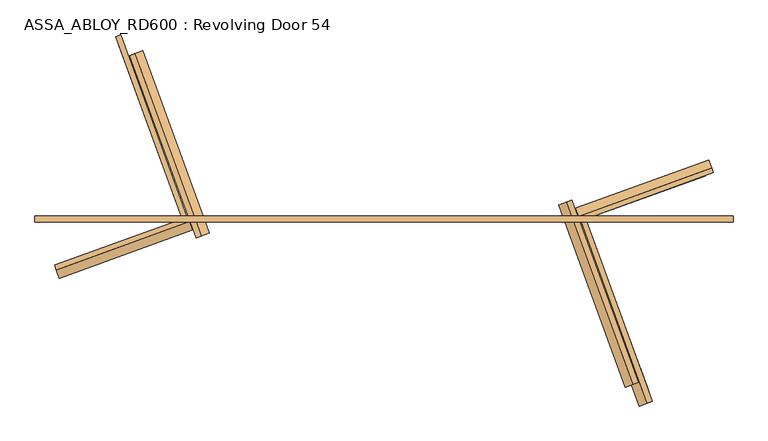
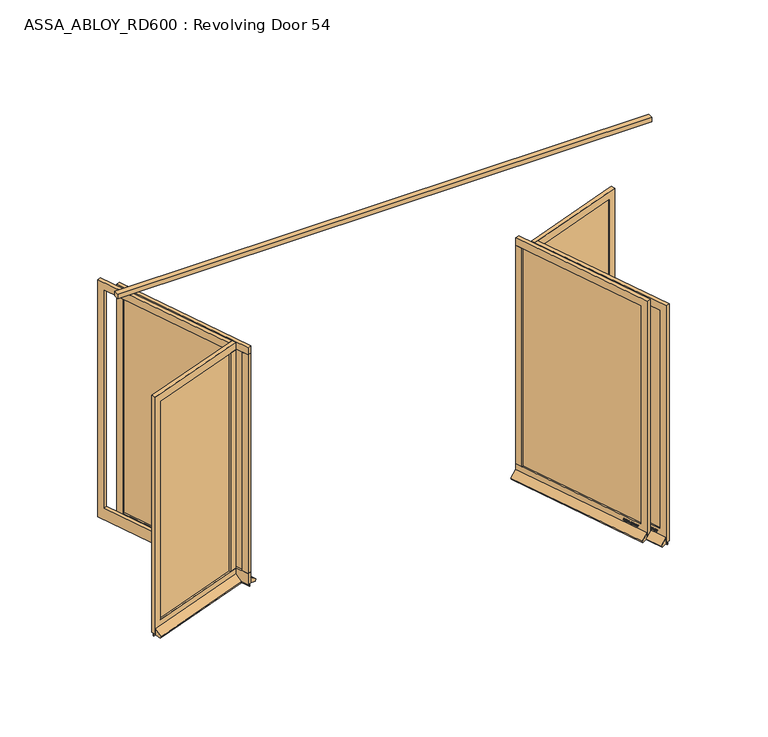
"""IFC4 building model written with IfcOpenShell, lengths in millimetres: door geometry, ASSA_ABLOY_RD600 : Revolving Door 54."""

from ifc_helpers import new_model, si_unit, frame, origin, place, context, project, spatial, polyline, outline, extrude, source, transform, mapped, element, save


def assa_abloy_rd600_revolving_door_54_afb6078f(model_context):
    return source(origin(), model_context, "Body", "SweptSolid", [
        extrude(outline(polyline([(2741.0, -25.0), (-2741.0, -25.0), (-2741.0, 25.0), (2741.0, 25.0), (2741.0, -25.0)])), frame((0.0, 0.0, 3500.0), z_axis=(0.0, 0.0, 1.0), x_axis=(1.0, 0.0, 0.0)), (0.0, 0.0, 1.0), 50.0),
        extrude(outline(polyline([(0.0, 0.0), (1456.0, 0.0), (1456.0, -120.0), (-70.0, -120.0), (-70.0, 2452.0), (1456.0, 2452.0), (1456.0, 2372.0), (0.0, 2372.0), (0.0, 0.0)])), frame((1934.7103714, -1233.4444406, 148.0), z_axis=(0.9396926207858558, 0.34202014332581326, 0.0), x_axis=(-0.34202014332581326, 0.9396926207858558, 0.0)), (0.0, 0.0, 1.0), 40.0),
        extrude(outline(polyline([(1498.2581576, 82.6503375), (1460.6704527, 68.9695318), (1436.7290427, 134.7480153), (1474.3167475, 148.428821), (1498.2581576, 82.6503375)])), frame((0.0, 0.0, 148.0), z_axis=(0.0, 0.0, 1.0), x_axis=(1.0, 0.0, 0.0)), (0.0, 0.0, 1.0), 2372.0),
        extrude(outline(polyline([(1950.6851459, -1227.6300982), (1476.6452273, 74.7838742), (1482.283383, 76.8359951), (1956.3233017, -1225.5779773), (1950.6851459, -1227.6300982)])), frame((0.0, 0.0, 148.0), z_axis=(0.0, 0.0, 1.0), x_axis=(1.0, 0.0, 0.0)), (0.0, 0.0, 1.0), 2372.0),
        extrude(outline(polyline([(1974.626556, -1293.4085816), (1452.7038173, 140.5623577), (1458.341973, 142.6144786), (1980.2647117, -1291.3564608), (1974.626556, -1293.4085816)])), frame((0.0, 0.0, -1.0), z_axis=(0.0, 0.0, 1.0), x_axis=(1.0, 0.0, 0.0)), (0.0, 0.0, 1.0), 29.0),
        extrude(outline(polyline([(21.1919362, 0.0), (20.214336, -2.6529929), (14.2348715, -2.5853723), (11.2716326, -10.6269535), (15.8652682, -14.4554101), (14.8894584, -17.1035442), (-1.2354289, -3.3526834), (0.0, 0.0), (21.1919362, 0.0)]), holes=[polyline([(11.7626281, -2.5849675), (1.6611384, -2.5160753), (9.3848751, -9.0376682), (11.7626281, -2.5849675)])]), frame((1958.1959557, -1181.0183772, 122.8848654), z_axis=(0.9396926207858602, 0.34202014332580105, 0.0), x_axis=(-0.11825756092416981, 0.3249099783187935, -0.9383222555567716)), (0.0, 0.0, 1.0), 2.0),
        extrude(outline(polyline([(3.5121291, -1e-07), (5.4926863, -1.2764388), (6.787432, -3.3659463), (7.2092232, -6.1919012), (6.5093631, -9.6341389), (4.824798, -13.2083907), (2.5145629, -16.157079), (-0.6567352, -15.0446471), (2.4447822, -12.1320668), (4.3562345, -8.7636201), (4.8029446, -4.7524081), (2.9863484, -2.6252693), (0.9295188, -2.6144293), (-0.6628891, -4.2207409), (-1.8238571, -6.2006452), (-3.0893834, -8.4786223), (-6.2388815, -11.6844271), (-9.9996043, -11.7673438), (-13.1300796, -8.3561655), (-12.7977466, -2.5981571), (-11.0920113, 1.0208017), (-9.0699595, 3.711135), (-6.0403681, 2.6484111), (-8.71119, 0.0484616), (-10.6514742, -3.4882218), (-11.0208469, -7.16163), (-9.3614355, -9.1814982), (-7.3063201, -9.1972245), (-5.5118808, -7.3434952), (-4.250422, -5.1162245), (-2.8187321, -2.6852579), (0.0, 0.0), (3.5121291, -1e-07)])), frame((1950.0798893, -1158.7196681, 111.999973), z_axis=(0.9396926207858602, 0.34202014332580105, 0.0), x_axis=(-0.11321109633798945, 0.31104493082019163, -0.9436282629706535)), (0.0, 0.0, 1.0), 2.0),
        extrude(outline(polyline([(3.5121291, 0.0), (5.4926863, -1.2764388), (6.787432, -3.3659464), (7.2092232, -6.1919012), (6.5093631, -9.6341389), (4.824798, -13.2083907), (2.5145628, -16.1570791), (-0.6567353, -15.0446472), (2.4447822, -12.1320669), (4.3562345, -8.7636201), (4.8029446, -4.7524082), (2.9863484, -2.6252693), (0.9295188, -2.6144294), (-0.6628891, -4.2207409), (-1.8238571, -6.2006453), (-3.0893834, -8.4786224), (-6.2388815, -11.6844271), (-9.9996044, -11.7673439), (-13.1300797, -8.3561656), (-12.7977466, -2.5981572), (-11.0920114, 1.0208016), (-9.0699596, 3.7111349), (-6.0403681, 2.648411), (-8.71119, 0.0484616), (-10.6514742, -3.4882218), (-11.0208469, -7.1616301), (-9.3614355, -9.1814983), (-7.3063201, -9.1972246), (-5.5118808, -7.3434953), (-4.250422, -5.1162245), (-2.8187321, -2.6852579), (0.0, 0.0), (3.5121291, 0.0)])), frame((1943.618916, -1140.9682898, 111.999973), z_axis=(0.9396926207858602, 0.34202014332580105, 0.0), x_axis=(-0.11321109633798945, 0.31104493082019163, -0.9436282629706535)), (0.0, 0.0, 1.0), 2.0),
        extrude(outline(polyline([(21.1919362, 0.0), (20.2143359, -2.652993), (14.2348715, -2.5853724), (11.2716326, -10.6269536), (15.8652681, -14.4554102), (14.8894584, -17.1035442), (-1.2354289, -3.3526834), (0.0, 0.0), (21.1919362, 0.0)]), holes=[polyline([(11.7626281, -2.5849675), (1.6611384, -2.5160753), (9.3848751, -9.0376682), (11.7626281, -2.5849675)])]), frame((1938.8130358, -1127.7642424, 122.8848654), z_axis=(0.9396926207858602, 0.34202014332580105, 0.0), x_axis=(-0.11825756092416981, 0.3249099783187935, -0.9383222555567716)), (0.0, 0.0, 1.0), 2.0),
        extrude(outline(polyline([(21.1919362, 0.0), (20.214336, -2.6529929), (14.2348715, -2.5853724), (11.2716326, -10.6269535), (15.8652682, -14.4554102), (14.8894584, -17.1035441), (-1.2354289, -3.3526834), (0.0, 0.0), (21.1919362, 0.0)]), holes=[polyline([(11.7626281, -2.5849674), (1.6611384, -2.5160753), (9.3848751, -9.0376682), (11.7626281, -2.5849674)])]), frame((1929.0649006, -1100.9814612, 122.8848654), z_axis=(0.9396926207858602, 0.34202014332580105, 0.0), x_axis=(-0.11825756092416981, 0.3249099783187935, -0.9383222555567716)), (0.0, 0.0, 1.0), 2.0),
        extrude(outline(polyline([(3.6247797, -1e-07), (5.9232413, -1.3859292), (7.2049821, -3.4426963), (7.5842828, -6.2202288), (6.8194358, -9.6251298), (4.5055294, -16.4081519), (-14.3144162, -9.9880648), (-12.3716711, -4.2930708), (-11.1479956, -1.1951534), (-9.8352433, 0.5920774), (-7.9241126, 1.6554025), (-5.7320771, 1.441087), (-3.7068839, -0.0321767), (-2.8147562, -2.4211002), (0.0, 0.0), (3.6247797, -1e-07)]), holes=[polyline([(-5.2214253, -2.9241787), (-9.3653605, -2.9303687), (-10.1960736, -5.1008933), (-11.2627443, -8.2277488), (-5.9304264, -10.0467735), (-4.7734732, -6.6552625), (-5.2214253, -2.9241787)]), polyline([(2.8765907, -2.5461079), (0.9746905, -2.291247), (-0.5832315, -3.1932876), (-1.5099769, -4.5787397), (-2.347091, -6.7279308), (-3.734766, -10.7957836), (3.1658807, -13.1498156), (4.3362091, -9.7190964), (5.1175974, -6.8751817), (5.1102534, -4.8838351), (4.3679308, -3.4351117), (2.8765907, -2.5461079)])]), frame((1920.7247901, -1078.0671958, 112.561824), z_axis=(0.9396926207858604, 0.3420201433258011, 0.0), x_axis=(-0.11042564634822187, 0.30339196987028844, -0.9464457138403678)), (0.0, 0.0, 1.0), 2.0),
        extrude(outline(polyline([(2.319901, 0.0), (2.319901, -12.5937482), (-17.5649644, -12.5937482), (-17.5649644, -9.9424328), (0.0, -9.9424328), (0.0, 0.0), (2.319901, 0.0)])), frame((1914.7703514, -1061.70751, 105.319901), z_axis=(0.9396926207858602, 0.34202014332580105, 0.0), x_axis=(0.0, 0.0, -1.0)), (0.0, 0.0, 1.0), 2.0),
        extrude(outline(polyline([(3.4755123, 0.0), (6.8343334, -1.6217536), (9.841779, -4.8358203), (11.7934802, -8.7947164), (12.1283676, -12.475947), (10.9175762, -15.7640054), (8.2007386, -18.4707048), (4.7147757, -20.0502835), (1.2097864, -20.048671), (-2.1257687, -18.4422906), (-5.1361656, -15.2239687), (-7.0812776, -11.3109182), (-7.4345587, -7.5668217), (-6.1998493, -4.2905332), (-3.5095377, -1.5864764), (0.0, 0.0), (3.4755123, 0.0)]), holes=[polyline([(7.6631689, -6.3468237), (2.8864763, -2.494471), (-2.1788995, -3.4868579), (-4.8960978, -7.8921765), (-2.9575554, -13.7129653), (1.8513938, -17.5618518), (6.8871209, -16.5585187), (9.5892894, -12.1951337), (7.6631689, -6.3468237)])]), frame((1909.7926745, -1048.031455, 122.5197917), z_axis=(0.9396926207858602, 0.34202014332580105, 0.0), x_axis=(-0.2810410816456148, 0.7721540257600913, -0.569907072188043)), (0.0, 0.0, 1.0), 2.0),
        extrude(outline(polyline([(3.1691505, 0.0), (-4.1219669, -11.1645234), (-4.1219669, -19.8848654), (-6.7732823, -19.8848654), (-6.7732823, -11.4441543), (-14.0643996, 0.0), (-10.921141, 0.0), (-5.4320896, -8.8964059), (0.0, 0.0), (3.1691505, 0.0)])), frame((1902.5922669, -1028.2484977, 122.8848654), z_axis=(0.9396926207858602, 0.34202014332580105, 0.0), x_axis=(-0.34202014332580105, 0.9396926207858602, 0.0)), (0.0, 0.0, 1.0), 2.0),
        extrude(outline(polyline([(-21.1919362, 0.0), (0.0, 0.0), (1.2354289, -3.3526834), (-14.8894584, -17.1035442), (-15.8652681, -14.4554102), (-11.2716326, -10.6269536), (-14.2348715, -2.5853724), (-20.2143359, -2.652993), (-21.1919362, 0.0)]), holes=[polyline([(-11.7626281, -2.5849675), (-9.3848751, -9.0376682), (-1.6611384, -2.5160752), (-11.7626281, -2.5849675)])]), frame((1865.9961301, -1050.5012232, 122.8848654), z_axis=(0.939692620785858, 0.3420201433258071, 0.0), x_axis=(-0.11825756092417189, 0.3249099783187927, 0.9383222555567716)), (0.0, 0.0, 1.0), 2.0),
        extrude(outline(polyline([(-3.5121291, 0.0), (0.0, 0.0), (2.8187321, -2.6852579), (4.250422, -5.1162245), (5.5118808, -7.3434953), (7.3063201, -9.1972245), (9.3614355, -9.1814982), (11.0208469, -7.16163), (10.6514742, -3.4882218), (8.71119, 0.0484616), (6.0403681, 2.648411), (9.0699596, 3.7111349), (11.0920114, 1.0208016), (12.7977466, -2.5981572), (13.1300797, -8.3561656), (9.9996044, -11.7673439), (6.2388815, -11.6844271), (3.0893834, -8.4786224), (1.8238571, -6.2006453), (0.6628891, -4.2207409), (-0.9295188, -2.6144294), (-2.9863484, -2.6252693), (-4.8029446, -4.7524081), (-4.3562345, -8.76362), (-2.4447823, -12.1320668), (0.6567353, -15.0446472), (-2.5145629, -16.1570791), (-4.824798, -13.2083906), (-6.5093631, -9.6341389), (-7.2092232, -6.1919012), (-6.787432, -3.3659464), (-5.4926863, -1.2764387), (-3.5121291, 0.0)])), frame((1874.1121965, -1072.7999323, 111.999973), z_axis=(0.939692620785858, 0.3420201433258071, 0.0), x_axis=(-0.11321109633799145, 0.31104493082019086, 0.9436282629706535)), (0.0, 0.0, 1.0), 2.0),
        extrude(outline(polyline([(-3.5121291, 0.0), (0.0, 0.0), (2.8187321, -2.6852579), (4.250422, -5.1162245), (5.5118808, -7.3434952), (7.3063201, -9.1972245), (9.3614355, -9.1814982), (11.0208469, -7.16163), (10.6514742, -3.4882217), (8.71119, 0.0484617), (6.0403681, 2.6484111), (9.0699595, 3.711135), (11.0920113, 1.0208017), (12.7977466, -2.5981571), (13.1300796, -8.3561655), (9.9996043, -11.7673438), (6.2388815, -11.6844271), (3.0893834, -8.4786223), (1.8238571, -6.2006452), (0.6628891, -4.2207407), (-0.9295188, -2.6144293), (-2.9863484, -2.6252692), (-4.8029446, -4.7524081), (-4.3562345, -8.76362), (-2.4447823, -12.1320668), (0.6567352, -15.0446471), (-2.5145629, -16.157079), (-4.8247981, -13.2083905), (-6.5093631, -9.6341389), (-7.2092232, -6.1919011), (-6.787432, -3.3659463), (-5.4926863, -1.2764386), (-3.5121291, 0.0)])), frame((1880.5731698, -1090.5513105, 111.999973), z_axis=(0.939692620785858, 0.3420201433258071, 0.0), x_axis=(-0.11321109633799145, 0.31104493082019086, 0.9436282629706535)), (0.0, 0.0, 1.0), 2.0),
        extrude(outline(polyline([(-21.1919362, 1e-07), (0.0, 0.0), (1.2354289, -3.3526833), (-14.8894584, -17.1035441), (-15.8652682, -14.4554101), (-11.2716326, -10.6269535), (-14.2348715, -2.5853723), (-20.214336, -2.6529929), (-21.1919362, 1e-07)]), holes=[polyline([(-11.7626281, -2.5849674), (-9.3848751, -9.0376681), (-1.6611384, -2.5160752), (-11.7626281, -2.5849674)])]), frame((1885.37905, -1103.7553579, 122.8848654), z_axis=(0.939692620785858, 0.3420201433258071, 0.0), x_axis=(-0.11825756092417189, 0.3249099783187927, 0.9383222555567716)), (0.0, 0.0, 1.0), 2.0),
        extrude(outline(polyline([(-21.1919362, 0.0), (0.0, 0.0), (1.2354289, -3.3526834), (-14.8894584, -17.1035442), (-15.8652682, -14.4554101), (-11.2716326, -10.6269535), (-14.2348715, -2.5853723), (-20.214336, -2.6529929), (-21.1919362, 0.0)]), holes=[polyline([(-11.7626281, -2.5849675), (-9.3848751, -9.0376682), (-1.6611384, -2.5160752), (-11.7626281, -2.5849675)])]), frame((1895.1271852, -1130.5381392, 122.8848654), z_axis=(0.939692620785858, 0.3420201433258071, 0.0), x_axis=(-0.11825756092417189, 0.3249099783187927, 0.9383222555567716)), (0.0, 0.0, 1.0), 2.0),
        extrude(outline(polyline([(-3.6247797, -1e-07), (0.0, 0.0), (2.8147562, -2.4211002), (3.7068839, -0.0321767), (5.7320771, 1.441087), (7.9241126, 1.6554024), (9.8352433, 0.5920774), (11.1479956, -1.1951535), (12.3716711, -4.2930708), (14.3144162, -9.9880648), (-4.5055294, -16.4081519), (-6.8194358, -9.6251298), (-7.5842828, -6.2202288), (-7.204982, -3.4426963), (-5.9232413, -1.3859292), (-3.6247797, -1e-07)]), holes=[polyline([(5.2214253, -2.9241787), (4.7734732, -6.6552625), (5.9304264, -10.0467736), (11.2627444, -8.2277489), (10.1960736, -5.1008933), (9.3653605, -2.9303688), (5.2214253, -2.9241787)]), polyline([(-2.8765906, -2.5461079), (-4.3679308, -3.4351117), (-5.1102534, -4.8838351), (-5.1175974, -6.8751817), (-4.3362091, -9.7190964), (-3.1658807, -13.1498157), (3.7347661, -10.7957838), (2.347091, -6.7279308), (1.5099769, -4.5787397), (0.5832315, -3.1932876), (-0.9746905, -2.291247), (-2.8765906, -2.5461079)])]), frame((1903.4672958, -1153.4524046, 112.561824), z_axis=(0.939692620785858, 0.34202014332580716, 0.0), x_axis=(-0.11042564634822383, 0.3033919698702877, 0.9464457138403678)), (0.0, 0.0, 1.0), 2.0),
        extrude(outline(polyline([(-2.319901, 0.0), (0.0, 0.0), (0.0, -9.9424327), (17.5649644, -9.9424327), (17.5649644, -12.5937481), (-2.319901, -12.5937481), (-2.319901, 0.0)])), frame((1909.4217344, -1169.8120904, 105.319901), z_axis=(0.939692620785858, 0.3420201433258071, 0.0), x_axis=(0.0, 0.0, 1.0)), (0.0, 0.0, 1.0), 2.0),
        extrude(outline(polyline([(-3.4755122, 0.0), (0.0, 0.0), (3.5095377, -1.5864764), (6.1998494, -4.2905332), (7.4345588, -7.5668217), (7.0812777, -11.3109182), (5.1361656, -15.2239687), (2.1257687, -18.4422906), (-1.2097863, -20.0486711), (-4.7147757, -20.0502836), (-8.2007386, -18.4707048), (-10.9175762, -15.7640054), (-12.1283675, -12.4759471), (-11.7934801, -8.7947164), (-9.841779, -4.8358204), (-6.8343334, -1.6217536), (-3.4755122, 0.0)]), holes=[polyline([(-7.6631689, -6.3468237), (-9.5892893, -12.1951337), (-6.8871209, -16.5585187), (-1.8513938, -17.5618518), (2.9575555, -13.7129653), (4.8960978, -7.8921765), (2.1788995, -3.4868579), (-2.8864762, -2.4944711), (-7.6631689, -6.3468237)])]), frame((1914.3994114, -1183.4881454, 122.5197917), z_axis=(0.939692620785858, 0.3420201433258071, 0.0), x_axis=(-0.28104108164561903, 0.7721540257600874, 0.5699070721880464)), (0.0, 0.0, 1.0), 2.0),
        extrude(outline(polyline([(-3.1691505, 0.0), (0.0, 0.0), (5.4320896, -8.8964059), (10.921141, 0.0), (14.0643997, 0.0), (6.7732823, -11.4441543), (6.7732823, -19.8848654), (4.1219669, -19.8848654), (4.1219669, -11.1645234), (-3.1691505, 0.0)])), frame((1921.599819, -1203.2711027, 122.8848654), z_axis=(0.939692620785858, 0.3420201433258071, 0.0), x_axis=(-0.3420201433258071, 0.939692620785858, 0.0)), (0.0, 0.0, 1.0), 2.0),
        extrude(outline(polyline([(16.3017206, 0.0), (20.0, 0.0), (20.0, 58.7981528), (88.5222617, 2.8076911), (78.5957563, -16.6009104), (16.3017206, 0.0)])), frame((1977.4456338, -1292.3825212, 28.0), z_axis=(-0.34202014332581326, 0.9396926207858558, 0.0), x_axis=(-0.9396926207858558, -0.34202014332581326, 0.0)), (0.0, 0.0, 1.0), 1526.0),
        extrude(outline(polyline([(1456.0, 0.0), (1456.0, -120.0), (0.0, -120.0), (0.0, -2492.0), (1456.0, -2492.0), (1456.0, -2572.0), (-69.9999999, -2572.0), (-69.9999999, 0.0), (1456.0, 0.0)])), frame((-1972.2980762, 1219.7636349, 28.0), z_axis=(0.939692620786613, 0.3420201433237329, 0.0), x_axis=(0.3420201433237329, -0.939692620786613, 0.0)), (0.0, 0.0, 1.0), 40.0),
        extrude(outline(polyline([(-1498.2581576, -82.6503375), (-1460.6704527, -68.9695318), (-1436.7290427, -134.7480153), (-1474.3167475, -148.428821), (-1498.2581576, -82.6503375)])), frame((0.0, 0.0, 148.0), z_axis=(0.0, 0.0, 1.0), x_axis=(1.0, 0.0, 0.0)), (0.0, 0.0, 1.0), 2372.0),
        extrude(outline(polyline([(-1950.6851459, 1227.6300982), (-1476.6452273, -74.7838742), (-1482.283383, -76.8359951), (-1956.3233017, 1225.5779773), (-1950.6851459, 1227.6300982)])), frame((0.0, 0.0, 148.0), z_axis=(0.0, 0.0, 1.0), x_axis=(1.0, 0.0, 0.0)), (0.0, 0.0, 1.0), 2372.0),
        extrude(outline(polyline([(-1974.626556, 1293.4085816), (-1452.7038173, -140.5623577), (-1458.341973, -142.6144786), (-1980.2647117, 1291.3564608), (-1974.626556, 1293.4085816)])), frame((0.0, 0.0, -1.0), z_axis=(0.0, 0.0, 1.0), x_axis=(1.0, 0.0, 0.0)), (0.0, 0.0, 1.0), 29.0),
        extrude(outline(polyline([(-21.1919362, 0.0), (0.0, 0.0), (1.2354289, -3.3526834), (-14.8894584, -17.1035442), (-15.8652681, -14.4554102), (-11.2716326, -10.6269536), (-14.2348715, -2.5853724), (-20.214336, -2.652993), (-21.1919362, 0.0)]), holes=[polyline([(-11.7626281, -2.5849675), (-9.3848751, -9.0376682), (-1.6611384, -2.5160752), (-11.7626281, -2.5849675)])]), frame((-1960.075341, 1180.3343369, 122.8848654), z_axis=(0.9396926207866175, 0.34202014332372066, 0.0), x_axis=(-0.11825756092345048, 0.3249099783190553, 0.9383222555567716)), (0.0, 0.0, 1.0), 2.0),
        extrude(outline(polyline([(-3.5121291, 0.0), (0.0, 0.0), (2.8187321, -2.6852579), (4.250422, -5.1162244), (5.5118808, -7.3434953), (7.3063201, -9.1972245), (9.3614355, -9.1814982), (11.0208469, -7.16163), (10.6514742, -3.4882218), (8.71119, 0.0484616), (6.0403681, 2.648411), (9.0699596, 3.7111349), (11.0920114, 1.0208016), (12.7977466, -2.5981572), (13.1300797, -8.3561656), (9.9996044, -11.7673439), (6.2388815, -11.6844271), (3.0893834, -8.4786224), (1.8238571, -6.2006453), (0.6628891, -4.2207408), (-0.9295188, -2.6144294), (-2.9863484, -2.6252693), (-4.8029446, -4.7524081), (-4.3562345, -8.76362), (-2.4447823, -12.1320668), (0.6567353, -15.0446472), (-2.5145629, -16.1570791), (-4.824798, -13.2083906), (-6.5093631, -9.6341389), (-7.2092232, -6.1919012), (-6.787432, -3.3659463), (-5.4926863, -1.2764387), (-3.5121291, 0.0)])), frame((-1951.9592746, 1158.0356278, 111.999973), z_axis=(0.9396926207866174, 0.34202014332372066, 0.0), x_axis=(-0.11321109633730082, 0.31104493082044227, 0.9436282629706535)), (0.0, 0.0, 1.0), 2.0),
        extrude(outline(polyline([(-3.5121291, 0.0), (0.0, 0.0), (2.818732, -2.6852578), (4.250422, -5.1162244), (5.5118808, -7.3434952), (7.3063201, -9.1972245), (9.3614355, -9.1814982), (11.0208469, -7.16163), (10.6514742, -3.4882217), (8.7111899, 0.0484617), (6.0403681, 2.6484111), (9.0699595, 3.711135), (11.0920113, 1.0208017), (12.7977466, -2.5981571), (13.1300796, -8.3561655), (9.9996043, -11.7673438), (6.2388815, -11.6844271), (3.0893834, -8.4786223), (1.8238571, -6.2006452), (0.6628891, -4.2207407), (-0.9295188, -2.6144293), (-2.9863484, -2.6252692), (-4.8029446, -4.7524081), (-4.3562345, -8.76362), (-2.4447823, -12.1320668), (0.6567352, -15.0446471), (-2.5145629, -16.157079), (-4.8247981, -13.2083905), (-6.5093631, -9.6341389), (-7.2092232, -6.1919011), (-6.787432, -3.3659463), (-5.4926863, -1.2764386), (-3.5121291, 0.0)])), frame((-1945.4983013, 1140.2842496, 111.999973), z_axis=(0.9396926207866174, 0.34202014332372066, 0.0), x_axis=(-0.11321109633730082, 0.31104493082044227, 0.9436282629706535)), (0.0, 0.0, 1.0), 2.0),
        extrude(outline(polyline([(-21.1919362, 1e-07), (0.0, 0.0), (1.2354289, -3.3526833), (-14.8894584, -17.1035441), (-15.8652682, -14.4554102), (-11.2716326, -10.6269535), (-14.2348715, -2.5853724), (-20.214336, -2.6529929), (-21.1919362, 1e-07)]), holes=[polyline([(-11.7626281, -2.5849674), (-9.3848751, -9.0376681), (-1.6611384, -2.5160752), (-11.7626281, -2.5849674)])]), frame((-1940.692421, 1127.0802022, 122.8848654), z_axis=(0.9396926207866175, 0.34202014332372066, 0.0), x_axis=(-0.11825756092345048, 0.3249099783190553, 0.9383222555567716)), (0.0, 0.0, 1.0), 2.0),
        extrude(outline(polyline([(-21.1919362, 0.0), (0.0, 0.0), (1.2354289, -3.3526834), (-14.8894584, -17.1035441), (-15.8652682, -14.4554101), (-11.2716326, -10.6269535), (-14.2348715, -2.5853723), (-20.214336, -2.6529929), (-21.1919362, 0.0)]), holes=[polyline([(-11.7626281, -2.5849675), (-9.3848751, -9.0376682), (-1.6611384, -2.5160752), (-11.7626281, -2.5849675)])]), frame((-1930.9442859, 1100.2974209, 122.8848654), z_axis=(0.9396926207866175, 0.34202014332372066, 0.0), x_axis=(-0.11825756092345048, 0.3249099783190553, 0.9383222555567716)), (0.0, 0.0, 1.0), 2.0),
        extrude(outline(polyline([(-3.6247797, -1e-07), (0.0, 0.0), (2.8147562, -2.4211002), (3.7068839, -0.0321767), (5.7320771, 1.441087), (7.9241126, 1.6554025), (9.8352433, 0.5920774), (11.1479956, -1.1951535), (12.3716711, -4.2930708), (14.3144162, -9.9880648), (-4.5055294, -16.4081519), (-6.8194358, -9.6251298), (-7.5842828, -6.2202288), (-7.204982, -3.4426963), (-5.9232413, -1.3859292), (-3.6247797, -1e-07)]), holes=[polyline([(5.2214253, -2.9241787), (4.7734732, -6.6552625), (5.9304264, -10.0467736), (11.2627443, -8.2277489), (10.1960736, -5.1008933), (9.3653605, -2.9303687), (5.2214253, -2.9241787)]), polyline([(-2.8765906, -2.5461079), (-4.3679308, -3.4351117), (-5.1102534, -4.8838351), (-5.1175974, -6.8751817), (-4.3362091, -9.7190964), (-3.1658807, -13.1498157), (3.7347661, -10.7957837), (2.347091, -6.7279308), (1.5099769, -4.5787397), (0.5832315, -3.1932876), (-0.9746905, -2.291247), (-2.8765906, -2.5461079)])]), frame((-1922.6041753, 1077.3831555, 112.561824), z_axis=(0.9396926207866174, 0.34202014332372066, 0.0), x_axis=(-0.11042564634755019, 0.3033919698705329, 0.9464457138403678)), (0.0, 0.0, 1.0), 2.0),
        extrude(outline(polyline([(-2.319901, 0.0), (0.0, 0.0), (0.0, -9.9424327), (17.5649644, -9.9424327), (17.5649644, -12.5937481), (-2.319901, -12.5937481), (-2.319901, 0.0)])), frame((-1916.6497367, 1061.0234697, 105.319901), z_axis=(0.9396926207866174, 0.34202014332372066, 0.0), x_axis=(0.0, 0.0, 1.0)), (0.0, 0.0, 1.0), 2.0),
        extrude(outline(polyline([(-3.4755122, 0.0), (0.0, 0.0), (3.5095377, -1.5864764), (6.1998494, -4.2905332), (7.4345588, -7.5668217), (7.0812777, -11.3109182), (5.1361656, -15.2239687), (2.1257687, -18.4422906), (-1.2097863, -20.0486711), (-4.7147757, -20.0502836), (-8.2007386, -18.4707048), (-10.9175762, -15.7640054), (-12.1283675, -12.4759471), (-11.7934801, -8.7947164), (-9.841779, -4.8358203), (-6.8343334, -1.6217536), (-3.4755122, 0.0)]), holes=[polyline([(-7.6631689, -6.3468237), (-9.5892893, -12.1951337), (-6.8871209, -16.5585187), (-1.8513938, -17.5618518), (2.9575555, -13.7129653), (4.8960978, -7.8921765), (2.1788995, -3.4868579), (-2.8864762, -2.4944711), (-7.6631689, -6.3468237)])]), frame((-1911.6720597, 1047.3474147, 122.5197917), z_axis=(0.9396926207866175, 0.3420201433237207, 0.0), x_axis=(-0.28104108164390534, 0.7721540257607135, 0.569907072188043)), (0.0, 0.0, 1.0), 2.0),
        extrude(outline(polyline([(-3.1691505, 0.0), (0.0, 0.0), (5.4320896, -8.8964059), (10.921141, 0.0), (14.0643997, 0.0), (6.7732823, -11.4441543), (6.7732823, -19.8848654), (4.1219669, -19.8848654), (4.1219669, -11.1645234), (-3.1691505, 0.0)])), frame((-1904.4716521, 1027.5644574, 122.8848654), z_axis=(0.9396926207866174, 0.34202014332372066, 0.0), x_axis=(-0.34202014332372066, 0.9396926207866174, 0.0)), (0.0, 0.0, 1.0), 2.0),
        extrude(outline(polyline([(21.1919362, 0.0), (20.214336, -2.6529929), (14.2348715, -2.5853725), (11.2716326, -10.6269535), (15.8652682, -14.4554101), (14.8894584, -17.1035442), (-1.2354289, -3.3526834), (0.0, 0.0), (21.1919362, 0.0)]), holes=[polyline([(11.7626281, -2.5849675), (1.6611384, -2.5160753), (9.3848751, -9.0376682), (11.7626281, -2.5849675)])]), frame((-1867.8755154, 1049.8171829, 122.8848654), z_axis=(0.9396926207866153, 0.34202014332372677, 0.0), x_axis=(-0.11825756092345256, 0.32490997831905455, -0.9383222555567716)), (0.0, 0.0, 1.0), 2.0),
        extrude(outline(polyline([(3.5121291, -1e-07), (5.4926863, -1.2764388), (6.787432, -3.3659464), (7.2092232, -6.1919012), (6.5093631, -9.6341389), (4.824798, -13.2083907), (2.5145629, -16.157079), (-0.6567352, -15.0446471), (2.4447822, -12.1320668), (4.3562345, -8.7636201), (4.8029446, -4.7524081), (2.9863484, -2.6252693), (0.9295188, -2.6144293), (-0.6628891, -4.2207409), (-1.8238571, -6.2006453), (-3.0893834, -8.4786223), (-6.2388815, -11.6844271), (-9.9996043, -11.7673438), (-13.1300797, -8.3561656), (-12.7977466, -2.5981572), (-11.0920114, 1.0208016), (-9.0699595, 3.711135), (-6.0403681, 2.6484111), (-8.71119, 0.0484616), (-10.6514742, -3.4882218), (-11.0208469, -7.16163), (-9.3614355, -9.1814982), (-7.3063201, -9.1972245), (-5.5118808, -7.3434952), (-4.250422, -5.1162245), (-2.8187321, -2.6852579), (0.0, 0.0), (3.5121291, -1e-07)])), frame((-1875.9915818, 1072.115892, 111.999973), z_axis=(0.9396926207866153, 0.34202014332372677, 0.0), x_axis=(-0.11321109633730282, 0.3110449308204415, -0.9436282629706535)), (0.0, 0.0, 1.0), 2.0),
        extrude(outline(polyline([(3.5121291, -1e-07), (5.4926863, -1.2764388), (6.787432, -3.3659464), (7.2092232, -6.1919012), (6.5093631, -9.634139), (4.824798, -13.2083907), (2.5145628, -16.1570791), (-0.6567353, -15.0446472), (2.4447822, -12.1320669), (4.3562345, -8.7636201), (4.8029446, -4.7524082), (2.9863484, -2.6252693), (0.9295188, -2.6144294), (-0.6628891, -4.2207409), (-1.8238571, -6.2006453), (-3.0893834, -8.4786224), (-6.2388816, -11.6844272), (-9.9996044, -11.7673439), (-13.1300797, -8.3561656), (-12.7977466, -2.5981572), (-11.0920114, 1.0208016), (-9.0699596, 3.7111349), (-6.0403681, 2.648411), (-8.71119, 0.0484616), (-10.6514742, -3.4882218), (-11.0208469, -7.1616301), (-9.3614355, -9.1814983), (-7.3063201, -9.1972246), (-5.5118808, -7.3434953), (-4.250422, -5.1162245), (-2.8187321, -2.6852579), (0.0, 0.0), (3.5121291, -1e-07)])), frame((-1882.4525551, 1089.8672703, 111.999973), z_axis=(0.9396926207866153, 0.34202014332372677, 0.0), x_axis=(-0.11321109633730282, 0.3110449308204415, -0.9436282629706535)), (0.0, 0.0, 1.0), 2.0),
        extrude(outline(polyline([(21.1919362, 1e-07), (20.214336, -2.6529929), (14.2348715, -2.5853724), (11.2716326, -10.6269535), (15.8652682, -14.4554101), (14.8894584, -17.1035441), (-1.2354289, -3.3526833), (0.0, 0.0), (21.1919362, 1e-07)]), holes=[polyline([(11.7626281, -2.5849674), (1.6611384, -2.5160752), (9.3848751, -9.0376681), (11.7626281, -2.5849674)])]), frame((-1887.2584353, 1103.0713176, 122.8848654), z_axis=(0.9396926207866153, 0.34202014332372677, 0.0), x_axis=(-0.11825756092345256, 0.32490997831905455, -0.9383222555567716)), (0.0, 0.0, 1.0), 2.0),
        extrude(outline(polyline([(21.1919362, 0.0), (20.214336, -2.6529929), (14.2348715, -2.5853723), (11.2716326, -10.6269535), (15.8652682, -14.4554101), (14.8894584, -17.1035441), (-1.2354289, -3.3526834), (0.0, 0.0), (21.1919362, 0.0)]), holes=[polyline([(11.7626281, -2.5849674), (1.6611384, -2.5160752), (9.3848751, -9.0376682), (11.7626281, -2.5849674)])]), frame((-1897.0065704, 1129.8540989, 122.8848654), z_axis=(0.9396926207866153, 0.34202014332372677, 0.0), x_axis=(-0.11825756092345256, 0.32490997831905455, -0.9383222555567716)), (0.0, 0.0, 1.0), 2.0),
        extrude(outline(polyline([(3.6247797, -1e-07), (5.9232413, -1.3859292), (7.2049821, -3.4426963), (7.5842828, -6.2202288), (6.8194358, -9.6251298), (4.5055294, -16.4081519), (-14.3144162, -9.9880648), (-12.3716711, -4.2930708), (-11.1479956, -1.1951535), (-9.8352433, 0.5920774), (-7.9241126, 1.6554025), (-5.7320771, 1.441087), (-3.7068839, -0.0321767), (-2.8147562, -2.4211002), (0.0, 0.0), (3.6247797, -1e-07)]), holes=[polyline([(-5.2214253, -2.9241787), (-9.3653605, -2.9303687), (-10.1960736, -5.1008933), (-11.2627443, -8.2277488), (-5.9304264, -10.0467735), (-4.7734732, -6.6552625), (-5.2214253, -2.9241787)]), polyline([(2.8765907, -2.5461079), (0.9746905, -2.291247), (-0.5832315, -3.1932876), (-1.5099769, -4.5787397), (-2.347091, -6.7279308), (-3.734766, -10.7957836), (3.1658807, -13.1498156), (4.3362091, -9.7190964), (5.1175974, -6.8751817), (5.1102534, -4.8838351), (4.3679308, -3.4351117), (2.8765907, -2.5461079)])]), frame((-1905.346681, 1152.7683643, 112.561824), z_axis=(0.9396926207866152, 0.3420201433237267, 0.0), x_axis=(-0.11042564634755214, 0.3033919698705322, -0.9464457138403678)), (0.0, 0.0, 1.0), 2.0),
        extrude(outline(polyline([(2.319901, 0.0), (2.319901, -12.5937482), (-17.5649644, -12.5937482), (-17.5649644, -9.9424328), (0.0, -9.9424328), (0.0, 0.0), (2.319901, 0.0)])), frame((-1911.3011197, 1169.1280501, 105.319901), z_axis=(0.9396926207866152, 0.3420201433237267, 0.0), x_axis=(0.0, 0.0, -1.0)), (0.0, 0.0, 1.0), 2.0),
        extrude(outline(polyline([(3.4755123, 0.0), (6.8343334, -1.6217536), (9.841779, -4.8358203), (11.7934802, -8.7947164), (12.1283676, -12.475947), (10.9175762, -15.7640054), (8.2007386, -18.4707048), (4.7147757, -20.0502836), (1.2097864, -20.048671), (-2.1257687, -18.4422906), (-5.1361656, -15.2239687), (-7.0812776, -11.3109182), (-7.4345587, -7.5668217), (-6.1998494, -4.2905332), (-3.5095377, -1.5864764), (0.0, 0.0), (3.4755123, 0.0)]), holes=[polyline([(7.6631689, -6.3468237), (2.8864762, -2.4944711), (-2.1788995, -3.4868579), (-4.8960978, -7.8921765), (-2.9575554, -13.7129653), (1.8513938, -17.5618518), (6.8871209, -16.5585187), (9.5892894, -12.1951337), (7.6631689, -6.3468237)])]), frame((-1916.2787966, 1182.8041051, 122.5197917), z_axis=(0.9396926207866152, 0.3420201433237267, 0.0), x_axis=(-0.2810410816439095, 0.7721540257607096, -0.5699070721880464)), (0.0, 0.0, 1.0), 2.0),
        extrude(outline(polyline([(3.1691505, 0.0), (-4.1219669, -11.1645234), (-4.1219669, -19.8848654), (-6.7732823, -19.8848654), (-6.7732823, -11.4441543), (-14.0643997, 0.0), (-10.921141, 0.0), (-5.4320896, -8.8964059), (0.0, 0.0), (3.1691505, 0.0)])), frame((-1923.4792042, 1202.5870624, 122.8848654), z_axis=(0.9396926207866152, 0.3420201433237267, 0.0), x_axis=(-0.3420201433237267, 0.9396926207866152, 0.0)), (0.0, 0.0, 1.0), 2.0),
        extrude(outline(polyline([(16.3017206, 0.0), (78.5957564, 16.6009104), (88.5222618, -2.8076911), (20.0, -58.7981528), (20.0, 0.0), (16.3017206, 0.0)])), frame((-1455.5228951, -141.5884181, 28.0), z_axis=(-0.3420201433237329, 0.939692620786613, 0.0), x_axis=(0.939692620786613, 0.3420201433237329, 0.0)), (0.0, 0.0, 1.0), 1526.0),
        extrude(outline(polyline([(0.0, 0.0), (1454.0, 0.0), (1454.0, -120.0), (-70.0000001, -120.0), (-70.0000001, 2452.0), (1454.0, 2452.0), (1454.0, 2372.0), (0.0, 2372.0), (0.0, 0.0)])), frame((2044.5160589, -1381.3295061, 148.0), z_axis=(0.939692620785858, 0.3420201433258072, 0.0), x_axis=(-0.3420201433258072, 0.939692620785858, 0.0)), (0.0, 0.0, 1.0), 40.0),
        extrude(outline(polyline([(1608.7478854, -67.1141132), (1571.1601806, -80.794919), (1547.2187705, -15.0164355), (1584.8064754, -1.3356298), (1608.7478854, -67.1141132)])), frame((0.0, 0.0, 148.0), z_axis=(0.0, 0.0, 1.0), x_axis=(1.0, 0.0, 0.0)), (0.0, 0.0, 1.0), 2372.0),
        extrude(outline(polyline([(2060.4908335, -1375.5151637), (1587.1349551, -74.9805765), (1592.7731109, -72.9284557), (2066.1289892, -1373.4630428), (2060.4908335, -1375.5151637)])), frame((0.0, 0.0, 148.0), z_axis=(0.0, 0.0, 1.0), x_axis=(1.0, 0.0, 0.0)), (0.0, 0.0, 1.0), 2372.0),
        extrude(outline(polyline([(2084.4322435, -1441.2936471), (1563.1935451, -9.2020931), (1568.8317008, -7.1499722), (2090.0703993, -1439.2415263), (2084.4322435, -1441.2936471)])), frame((0.0, 0.0, -1.0), z_axis=(0.0, 0.0, 1.0), x_axis=(1.0, 0.0, 0.0)), (0.0, 0.0, 1.0), 29.0),
        extrude(outline(polyline([(21.1919362, 1e-07), (20.214336, -2.6529929), (14.2348715, -2.5853723), (11.2716326, -10.6269535), (15.8652682, -14.4554101), (14.8894584, -17.1035441), (-1.2354289, -3.3526833), (0.0, 0.0), (21.1919362, 1e-07)]), holes=[polyline([(11.7626281, -2.5849674), (1.6611385, -2.5160751), (9.3848751, -9.0376681), (11.7626281, -2.5849674)])]), frame((2068.0016433, -1328.9034428, 122.8848654), z_axis=(0.9396926207858626, 0.342020143325795, 0.0), x_axis=(-0.11825756092416771, 0.32490997831879426, -0.9383222555567716)), (0.0, 0.0, 1.0), 2.0),
        extrude(outline(polyline([(3.5121291, 0.0), (5.4926863, -1.2764387), (6.787432, -3.3659464), (7.2092232, -6.1919012), (6.5093631, -9.6341389), (4.824798, -13.2083906), (2.5145629, -16.1570791), (-0.6567353, -15.0446472), (2.4447823, -12.1320668), (4.3562345, -8.76362), (4.8029446, -4.7524081), (2.9863484, -2.6252693), (0.9295188, -2.6144294), (-0.6628891, -4.2207409), (-1.8238571, -6.2006453), (-3.0893834, -8.4786224), (-6.2388815, -11.6844271), (-9.9996044, -11.7673439), (-13.1300797, -8.3561656), (-12.7977466, -2.5981572), (-11.0920114, 1.0208016), (-9.0699596, 3.7111349), (-6.0403681, 2.648411), (-8.71119, 0.0484616), (-10.6514742, -3.4882218), (-11.0208469, -7.16163), (-9.3614355, -9.1814983), (-7.3063201, -9.1972245), (-5.5118808, -7.3434953), (-4.250422, -5.1162245), (-2.8187321, -2.6852579), (0.0, 0.0), (3.5121291, 0.0)])), frame((2059.8855769, -1306.6047336, 111.999973), z_axis=(0.9396926207858625, 0.342020143325795, 0.0), x_axis=(-0.11321109633798745, 0.31104493082019236, -0.9436282629706535)), (0.0, 0.0, 1.0), 2.0),
        extrude(outline(polyline([(3.5121291, 0.0), (5.4926863, -1.2764386), (6.787432, -3.3659463), (7.2092232, -6.1919011), (6.5093631, -9.6341389), (4.8247981, -13.2083905), (2.5145629, -16.157079), (-0.6567352, -15.0446471), (2.4447823, -12.1320668), (4.3562345, -8.76362), (4.8029446, -4.7524081), (2.9863484, -2.6252692), (0.9295188, -2.6144293), (-0.6628891, -4.2207407), (-1.8238571, -6.2006452), (-3.0893834, -8.4786223), (-6.2388815, -11.6844271), (-9.9996043, -11.7673438), (-13.1300796, -8.3561655), (-12.7977466, -2.5981571), (-11.0920113, 1.0208017), (-9.0699595, 3.711135), (-6.0403681, 2.6484111), (-8.71119, 0.0484616), (-10.6514742, -3.4882217), (-11.0208469, -7.16163), (-9.3614355, -9.1814982), (-7.3063201, -9.1972245), (-5.5118808, -7.3434952), (-4.250422, -5.1162245), (-2.8187321, -2.6852579), (0.0, 0.0), (3.5121291, 0.0)])), frame((2053.4246036, -1288.8533554, 111.999973), z_axis=(0.9396926207858625, 0.342020143325795, 0.0), x_axis=(-0.11321109633798745, 0.31104493082019236, -0.9436282629706535)), (0.0, 0.0, 1.0), 2.0),
        extrude(outline(polyline([(21.1919362, 1e-07), (20.214336, -2.6529929), (14.2348715, -2.5853723), (11.2716326, -10.6269535), (15.8652682, -14.4554101), (14.8894584, -17.1035441), (-1.2354289, -3.3526833), (0.0, 0.0), (21.1919362, 1e-07)]), holes=[polyline([(11.7626281, -2.5849674), (1.6611384, -2.5160752), (9.3848751, -9.0376681), (11.7626281, -2.5849674)])]), frame((2048.6187234, -1275.649308, 122.8848654), z_axis=(0.9396926207858626, 0.342020143325795, 0.0), x_axis=(-0.11825756092416771, 0.32490997831879426, -0.9383222555567716)), (0.0, 0.0, 1.0), 2.0),
        extrude(outline(polyline([(21.1919362, 0.0), (20.214336, -2.6529929), (14.2348715, -2.5853723), (11.2716326, -10.6269535), (15.8652682, -14.4554101), (14.8894584, -17.1035442), (-1.2354289, -3.3526834), (0.0, 0.0), (21.1919362, 0.0)]), holes=[polyline([(11.7626281, -2.5849675), (1.6611384, -2.5160752), (9.3848751, -9.0376682), (11.7626281, -2.5849675)])]), frame((2038.8705882, -1248.8665267, 122.8848654), z_axis=(0.9396926207858626, 0.342020143325795, 0.0), x_axis=(-0.11825756092416771, 0.32490997831879426, -0.9383222555567716)), (0.0, 0.0, 1.0), 2.0),
        extrude(outline(polyline([(3.6247797, 0.0), (5.9232413, -1.3859292), (7.2049821, -3.4426963), (7.5842828, -6.2202288), (6.8194358, -9.6251298), (4.5055294, -16.4081519), (-14.3144162, -9.9880648), (-12.3716711, -4.2930708), (-11.1479956, -1.1951535), (-9.8352432, 0.5920774), (-7.9241126, 1.6554025), (-5.7320771, 1.441087), (-3.7068839, -0.0321767), (-2.8147562, -2.4211002), (0.0, 0.0), (3.6247797, 0.0)]), holes=[polyline([(-5.2214253, -2.9241787), (-9.3653605, -2.9303687), (-10.1960736, -5.1008933), (-11.2627443, -8.2277489), (-5.9304264, -10.0467736), (-4.7734732, -6.6552625), (-5.2214253, -2.9241787)]), polyline([(2.8765907, -2.5461079), (0.9746905, -2.291247), (-0.5832315, -3.1932876), (-1.5099769, -4.5787397), (-2.3470909, -6.7279308), (-3.7347661, -10.7957837), (3.1658807, -13.1498157), (4.3362091, -9.7190964), (5.1175974, -6.8751818), (5.1102534, -4.8838351), (4.3679308, -3.4351117), (2.8765907, -2.5461079)])]), frame((2030.5304777, -1225.9522613, 112.561824), z_axis=(0.9396926207858626, 0.34202014332579506, 0.0), x_axis=(-0.11042564634821991, 0.30339196987028916, -0.9464457138403678)), (0.0, 0.0, 1.0), 2.0),
        extrude(outline(polyline([(2.319901, 0.0), (2.319901, -12.5937481), (-17.5649644, -12.5937481), (-17.5649644, -9.9424328), (0.0, -9.9424328), (0.0, 0.0), (2.319901, 0.0)])), frame((2024.576039, -1209.5925755, 105.319901), z_axis=(0.9396926207858625, 0.342020143325795, 0.0), x_axis=(0.0, 0.0, -1.0)), (0.0, 0.0, 1.0), 2.0),
        extrude(outline(polyline([(3.4755122, 0.0), (6.8343334, -1.6217536), (9.841779, -4.8358204), (11.7934801, -8.7947164), (12.1283675, -12.4759471), (10.9175762, -15.7640054), (8.2007386, -18.4707048), (4.7147757, -20.0502836), (1.2097863, -20.0486711), (-2.1257687, -18.4422906), (-5.1361656, -15.2239687), (-7.0812777, -11.3109182), (-7.4345588, -7.5668217), (-6.1998494, -4.2905332), (-3.5095377, -1.5864764), (0.0, 0.0), (3.4755122, 0.0)]), holes=[polyline([(7.6631689, -6.3468237), (2.8864762, -2.4944711), (-2.1788995, -3.4868579), (-4.8960978, -7.8921765), (-2.9575555, -13.7129653), (1.8513938, -17.5618518), (6.8871209, -16.5585187), (9.5892893, -12.1951337), (7.6631689, -6.3468237)])]), frame((2019.598362, -1195.9165205, 122.5197917), z_axis=(0.9396926207858626, 0.342020143325795, 0.0), x_axis=(-0.2810410816456098, 0.7721540257600932, -0.569907072188043)), (0.0, 0.0, 1.0), 2.0),
        extrude(outline(polyline([(3.1691504, 0.0), (-4.1219669, -11.1645234), (-4.1219669, -19.8848654), (-6.7732823, -19.8848654), (-6.7732823, -11.4441543), (-14.0643997, 0.0), (-10.921141, 0.0), (-5.4320896, -8.8964059), (0.0, 0.0), (3.1691504, 0.0)])), frame((2012.3979544, -1176.1335632, 122.8848654), z_axis=(0.9396926207858625, 0.342020143325795, 0.0), x_axis=(-0.342020143325795, 0.9396926207858625, 0.0)), (0.0, 0.0, 1.0), 2.0),
        extrude(outline(polyline([(-21.1919362, 0.0), (0.0, 0.0), (1.2354289, -3.3526834), (-14.8894584, -17.1035442), (-15.8652682, -14.4554101), (-11.2716326, -10.6269535), (-14.2348715, -2.5853723), (-20.214336, -2.6529929), (-21.1919362, 0.0)]), holes=[polyline([(-11.7626281, -2.5849675), (-9.3848751, -9.0376682), (-1.6611384, -2.5160753), (-11.7626281, -2.5849675)])]), frame((1975.8018177, -1198.3862887, 122.8848654), z_axis=(0.9396926207858602, 0.34202014332580105, 0.0), x_axis=(-0.1182575609241698, 0.3249099783187935, 0.9383222555567716)), (0.0, 0.0, 1.0), 2.0),
        extrude(outline(polyline([(-3.5121291, 0.0), (0.0, 0.0), (2.8187321, -2.6852579), (4.250422, -5.1162245), (5.5118808, -7.3434952), (7.3063201, -9.1972245), (9.3614355, -9.1814982), (11.0208469, -7.16163), (10.6514742, -3.4882218), (8.71119, 0.0484616), (6.0403681, 2.6484111), (9.0699595, 3.711135), (11.0920113, 1.0208017), (12.7977466, -2.5981571), (13.1300796, -8.3561655), (9.9996043, -11.7673438), (6.2388815, -11.6844271), (3.0893834, -8.4786223), (1.8238571, -6.2006452), (0.6628891, -4.2207409), (-0.9295188, -2.6144293), (-2.9863484, -2.6252693), (-4.8029446, -4.7524081), (-4.3562345, -8.7636201), (-2.4447822, -12.1320668), (0.6567352, -15.0446471), (-2.5145629, -16.157079), (-4.824798, -13.2083907), (-6.5093631, -9.6341389), (-7.2092232, -6.1919012), (-6.787432, -3.3659463), (-5.4926863, -1.2764388), (-3.5121291, 0.0)])), frame((1983.9178841, -1220.6849978, 111.999973), z_axis=(0.9396926207858602, 0.34202014332580105, 0.0), x_axis=(-0.11321109633798945, 0.3110449308201916, 0.9436282629706535)), (0.0, 0.0, 1.0), 2.0),
        extrude(outline(polyline([(-3.5121291, 0.0), (0.0, 0.0), (2.8187321, -2.6852579), (4.250422, -5.1162245), (5.5118808, -7.3434953), (7.3063201, -9.1972246), (9.3614355, -9.1814983), (11.0208469, -7.1616301), (10.6514742, -3.4882218), (8.71119, 0.0484616), (6.0403681, 2.648411), (9.0699596, 3.7111349), (11.0920114, 1.0208016), (12.7977466, -2.5981572), (13.1300797, -8.3561656), (9.9996044, -11.7673439), (6.2388815, -11.6844271), (3.0893834, -8.4786224), (1.8238571, -6.2006453), (0.6628891, -4.2207409), (-0.9295188, -2.6144294), (-2.9863484, -2.6252693), (-4.8029446, -4.7524082), (-4.3562345, -8.7636201), (-2.4447822, -12.1320669), (0.6567353, -15.0446472), (-2.5145628, -16.1570791), (-4.824798, -13.2083907), (-6.5093631, -9.6341389), (-7.2092232, -6.1919012), (-6.787432, -3.3659464), (-5.4926863, -1.2764388), (-3.5121291, 0.0)])), frame((1990.3788574, -1238.4363761, 111.999973), z_axis=(0.9396926207858602, 0.34202014332580105, 0.0), x_axis=(-0.11321109633798945, 0.3110449308201916, 0.9436282629706535)), (0.0, 0.0, 1.0), 2.0),
        extrude(outline(polyline([(-21.1919362, 0.0), (0.0, 0.0), (1.2354289, -3.3526834), (-14.8894584, -17.1035442), (-15.8652681, -14.4554102), (-11.2716326, -10.6269536), (-14.2348715, -2.5853724), (-20.2143359, -2.652993), (-21.1919362, 0.0)]), holes=[polyline([(-11.7626281, -2.5849675), (-9.3848751, -9.0376682), (-1.6611384, -2.5160752), (-11.7626281, -2.5849675)])]), frame((1995.1847376, -1251.6404235, 122.8848654), z_axis=(0.9396926207858602, 0.34202014332580105, 0.0), x_axis=(-0.1182575609241698, 0.3249099783187935, 0.9383222555567716)), (0.0, 0.0, 1.0), 2.0),
        extrude(outline(polyline([(-21.1919362, 1e-07), (0.0, 0.0), (1.2354289, -3.3526834), (-14.8894584, -17.1035441), (-15.8652682, -14.4554102), (-11.2716326, -10.6269535), (-14.2348715, -2.5853724), (-20.214336, -2.6529929), (-21.1919362, 1e-07)]), holes=[polyline([(-11.7626281, -2.5849674), (-9.3848751, -9.0376682), (-1.6611384, -2.5160753), (-11.7626281, -2.5849674)])]), frame((2004.9328728, -1278.4232047, 122.8848654), z_axis=(0.9396926207858602, 0.34202014332580105, 0.0), x_axis=(-0.1182575609241698, 0.3249099783187935, 0.9383222555567716)), (0.0, 0.0, 1.0), 2.0),
        extrude(outline(polyline([(-3.6247797, -1e-07), (0.0, 0.0), (2.8147562, -2.4211002), (3.7068839, -0.0321767), (5.7320771, 1.441087), (7.9241126, 1.6554025), (9.8352433, 0.5920774), (11.1479956, -1.1951534), (12.3716711, -4.2930708), (14.3144162, -9.9880648), (-4.5055294, -16.4081519), (-6.8194358, -9.6251298), (-7.5842828, -6.2202288), (-7.2049821, -3.4426963), (-5.9232413, -1.3859292), (-3.6247797, -1e-07)]), holes=[polyline([(5.2214253, -2.9241787), (4.7734732, -6.6552625), (5.9304264, -10.0467735), (11.2627443, -8.2277488), (10.1960736, -5.1008933), (9.3653605, -2.9303687), (5.2214253, -2.9241787)]), polyline([(-2.8765907, -2.5461079), (-4.3679308, -3.4351117), (-5.1102534, -4.8838351), (-5.1175974, -6.8751817), (-4.3362091, -9.7190964), (-3.1658807, -13.1498156), (3.734766, -10.7957836), (2.347091, -6.7279308), (1.5099769, -4.5787397), (0.5832315, -3.1932876), (-0.9746905, -2.291247), (-2.8765907, -2.5461079)])]), frame((2013.2729833, -1301.3374701, 112.561824), z_axis=(0.9396926207858604, 0.3420201433258011, 0.0), x_axis=(-0.11042564634822187, 0.30339196987028844, 0.9464457138403678)), (0.0, 0.0, 1.0), 2.0),
        extrude(outline(polyline([(-2.319901, 0.0), (0.0, 0.0), (0.0, -9.9424328), (17.5649644, -9.9424328), (17.5649644, -12.5937482), (-2.319901, -12.5937482), (-2.319901, 0.0)])), frame((2019.227422, -1317.6971559, 105.319901), z_axis=(0.9396926207858602, 0.34202014332580105, 0.0), x_axis=(0.0, 0.0, 1.0)), (0.0, 0.0, 1.0), 2.0),
        extrude(outline(polyline([(-3.4755123, 0.0), (0.0, 0.0), (3.5095377, -1.5864764), (6.1998493, -4.2905332), (7.4345587, -7.5668217), (7.0812776, -11.3109182), (5.1361656, -15.2239687), (2.1257687, -18.4422906), (-1.2097864, -20.048671), (-4.7147757, -20.0502835), (-8.2007386, -18.4707048), (-10.9175762, -15.7640054), (-12.1283676, -12.475947), (-11.7934802, -8.7947163), (-9.841779, -4.8358203), (-6.8343334, -1.6217536), (-3.4755123, 0.0)]), holes=[polyline([(-7.6631689, -6.3468237), (-9.5892894, -12.1951337), (-6.8871209, -16.5585187), (-1.8513938, -17.5618518), (2.9575554, -13.7129653), (4.8960978, -7.8921765), (2.1788995, -3.4868579), (-2.8864763, -2.494471), (-7.6631689, -6.3468237)])]), frame((2024.2050989, -1331.3732109, 122.5197917), z_axis=(0.9396926207858602, 0.34202014332580105, 0.0), x_axis=(-0.28104108164561403, 0.7721540257600892, 0.5699070721880464)), (0.0, 0.0, 1.0), 2.0),
        extrude(outline(polyline([(-3.1691505, 0.0), (0.0, 0.0), (5.4320896, -8.8964059), (10.921141, 0.0), (14.0643996, 0.0), (6.7732823, -11.4441543), (6.7732823, -19.8848654), (4.1219669, -19.8848654), (4.1219669, -11.1645234), (-3.1691505, 0.0)])), frame((2031.4055065, -1351.1561682, 122.8848654), z_axis=(0.9396926207858602, 0.34202014332580105, 0.0), x_axis=(-0.34202014332580105, 0.9396926207858602, 0.0)), (0.0, 0.0, 1.0), 2.0),
        extrude(outline(polyline([(16.3017207, 0.0), (20.0, 0.0), (20.0, 58.7981528), (88.5222618, 2.8076911), (78.5957564, -16.6009104), (16.3017207, 0.0)])), frame((2087.2513214, -1440.2675867, 28.0), z_axis=(-0.3420201433258072, 0.939692620785858, 0.0), x_axis=(-0.939692620785858, -0.3420201433258072, 0.0)), (0.0, 0.0, 1.0), 1524.0),
        extrude(outline(polyline([(0.0, 0.0), (0.0, -2372.0), (1041.0, -2372.0), (1041.0, -2452.0), (-70.0, -2452.0), (-70.0, 120.0), (1041.0, 120.0), (1041.0, 0.0), (0.0, 0.0)])), frame((-2507.0177711, -376.8889425, 148.0), z_axis=(-0.34202014332573144, 0.9396926207858857, 0.0), x_axis=(0.9396926207858857, 0.34202014332573144, 0.0)), (0.0, 0.0, 1.0), 40.0),
        extrude(outline(polyline([(-1608.257042, -7.1996785), (-1542.4785586, 16.7417316), (-1528.7977529, -20.8459733), (-1594.5762363, -44.7873833), (-1608.257042, -7.1996785)])), frame((0.0, 0.0, 148.0), z_axis=(0.0, 0.0, 1.0), x_axis=(1.0, 0.0, 0.0)), (0.0, 0.0, 1.0), 2372.0),
        extrude(outline(polyline([(-2512.8321135, -360.9141679), (-2514.8842344, -355.2760122), (-1602.4426996, -23.174453), (-1600.3905787, -28.8126088), (-2512.8321135, -360.9141679)])), frame((0.0, 0.0, 148.0), z_axis=(0.0, 0.0, 1.0), x_axis=(1.0, 0.0, 0.0)), (0.0, 0.0, 1.0), 2372.0),
        extrude(outline(polyline([(-2578.610597, -384.855578), (-2580.6627178, -379.2174222), (-1536.6642162, 0.766957), (-1534.6120953, -4.8711987), (-2578.610597, -384.855578)])), frame((0.0, 0.0, -1.0), z_axis=(0.0, 0.0, 1.0), x_axis=(1.0, 0.0, 0.0)), (0.0, 0.0, 1.0), 29.0),
        extrude(outline(polyline([(16.3017206, 0.0), (78.5957564, 16.6009104), (88.5222618, -2.8076911), (20.0, -58.7981528), (20.0, 0.0), (16.3017206, 0.0)])), frame((-2579.6366574, -382.0365001, 28.0), z_axis=(0.9396926207858857, 0.34202014332573144, 0.0), x_axis=(0.34202014332573144, -0.9396926207858857, 0.0)), (0.0, 0.0, 1.0), 1111.0),
        extrude(outline(polyline([(1041.0, 0.0), (-70.0000001, 0.0), (-70.0000001, 2572.0), (1041.0, 2572.0), (1041.0, 2492.0), (0.0, 2492.0), (0.0, 120.0), (1041.0, 120.0), (1041.0, 0.0)])), frame((2520.6985768, 339.3012376, 28.0), z_axis=(-0.34202014332567293, 0.9396926207859069, 0.0), x_axis=(-0.9396926207859069, -0.34202014332567293, 0.0)), (0.0, 0.0, 1.0), 40.0),
        extrude(outline(polyline([(1608.257042, 7.1996785), (1542.4785586, -16.7417316), (1528.7977529, 20.8459733), (1594.5762363, 44.7873833), (1608.257042, 7.1996785)])), frame((0.0, 0.0, 148.0), z_axis=(0.0, 0.0, 1.0), x_axis=(1.0, 0.0, 0.0)), (0.0, 0.0, 1.0), 2372.0),
        extrude(outline(polyline([(2512.8321135, 360.9141679), (2514.8842344, 355.2760122), (1602.4426996, 23.174453), (1600.3905787, 28.8126088), (2512.8321135, 360.9141679)])), frame((0.0, 0.0, 148.0), z_axis=(0.0, 0.0, 1.0), x_axis=(1.0, 0.0, 0.0)), (0.0, 0.0, 1.0), 2372.0),
        extrude(outline(polyline([(2578.610597, 384.855578), (2580.6627178, 379.2174222), (1536.6642162, -0.766957), (1534.6120953, 4.8711987), (2578.610597, 384.855578)])), frame((0.0, 0.0, -1.0), z_axis=(0.0, 0.0, 1.0), x_axis=(1.0, 0.0, 0.0)), (0.0, 0.0, 1.0), 29.0),
        extrude(outline(polyline([(16.3017206, 0.0), (20.0, 0.0), (20.0, 58.7981528), (88.5222617, 2.8076911), (78.5957563, -16.6009104), (16.3017206, 0.0)])), frame((1535.6381557, 2.0521209, 28.0), z_axis=(0.9396926207859069, 0.34202014332567293, 0.0), x_axis=(-0.34202014332567293, 0.9396926207859069, 0.0)), (0.0, 0.0, 1.0), 1111.0),
        extrude(outline(polyline([(1454.0, 0.0), (1454.0, -120.0), (0.0, -120.0), (0.0, -2492.0), (1454.0, -2492.0), (1454.0, -2572.0), (-70.0, -2572.0), (-70.0, 0.0), (1454.0, 0.0)])), frame((-2082.0901936, 1367.6536395, 28.0), z_axis=(0.9396926207859938, 0.34202014332543407, 0.0), x_axis=(0.34202014332543407, -0.9396926207859938, 0.0)), (0.0, 0.0, 1.0), 40.0),
    ])


if __name__ == "__main__":
    model = new_model("IFC4")
    model_context = context("Model", 3, world=origin())
    ifc_project = project(units=[si_unit("LENGTHUNIT", "METRE", prefix="MILLI")], contexts=[model_context])
    site = spatial("IfcSite", under=ifc_project)
    building = spatial("IfcBuilding", under=site)
    placement = place(None, origin())
    assa_abloy_rd600_revolving_door_54_shape = assa_abloy_rd600_revolving_door_54_afb6078f(model_context)
    element("IfcDoor", 1, ObjectType="ASSA_ABLOY_RD600 : Revolving Door 54", at=placement, inside=building, context=model_context, shape_type="MappedRepresentation", body=[
        mapped(assa_abloy_rd600_revolving_door_54_shape, transform((0.0, 0.0, 0.0), x_axis=(1.0, 0.0, 0.0), y_axis=(0.0, 1.0, 0.0), z_axis=(0.0, 0.0, 1.0))),
    ])
    save(model, "model.ifc")
